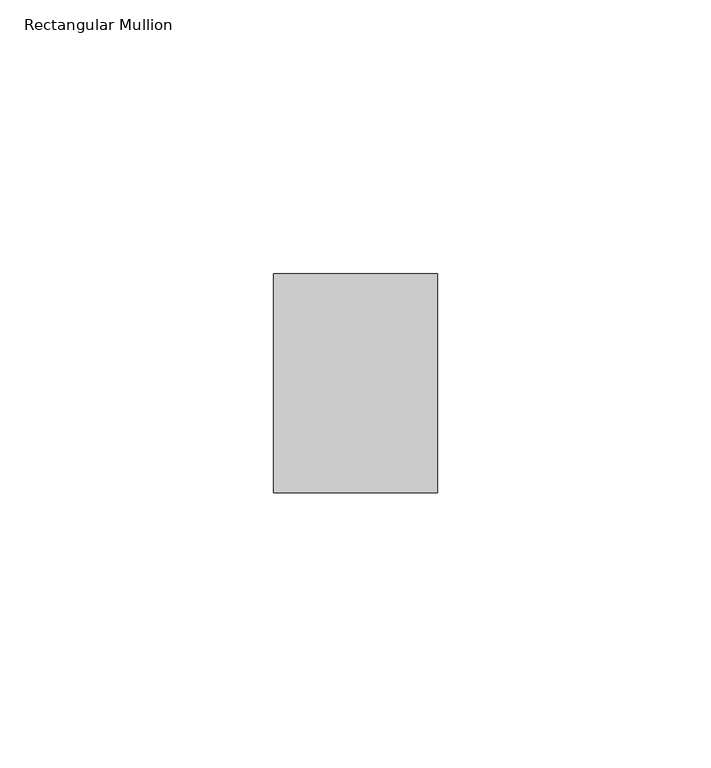
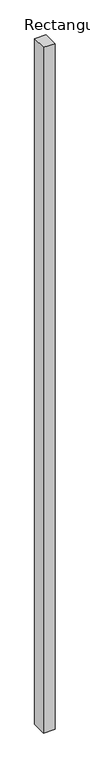
"""IFC4 building model written with IfcOpenShell, lengths in millimetres: member geometry, Rectangular Mullion."""

from ifc_helpers import new_model, si_unit, frame, origin, place, context, project, spatial, polyline, outline, extrude, source, transform, mapped, element, save


def rectangular_mullion_d8288f05(model_context):
    return source(origin(), model_context, "Body", "SweptSolid", [
        extrude(outline(polyline([(0.0, 52.0), (0.0, 12.0), (-30.0, 12.0), (-30.0, 52.0), (0.0, 52.0)])), frame((0.0, 0.0, -1899.9999998), z_axis=(0.0, 0.0, 1.0), x_axis=(1.0, 0.0, 0.0)), (0.0, 0.0, 1.0), 1899.9999998),
    ])


if __name__ == "__main__":
    model = new_model("IFC4")
    model_context = context("Model", 3, world=origin())
    ifc_project = project(units=[si_unit("LENGTHUNIT", "METRE", prefix="MILLI")], contexts=[model_context])
    site = spatial("IfcSite", under=ifc_project)
    building = spatial("IfcBuilding", under=site)
    placement = place(None, origin())
    rectangular_mullion_shape = rectangular_mullion_d8288f05(model_context)
    element("IfcMember", 1, ObjectType="Rectangular Mullion", at=placement, inside=building, context=model_context, shape_type="MappedRepresentation", body=[
        mapped(rectangular_mullion_shape, transform((0.0, 0.0, 0.0), x_axis=(1.0, 0.0, 0.0), y_axis=(0.0, 1.0, 0.0), z_axis=(0.0, 0.0, 1.0))),
    ])
    save(model, "model.ifc")
